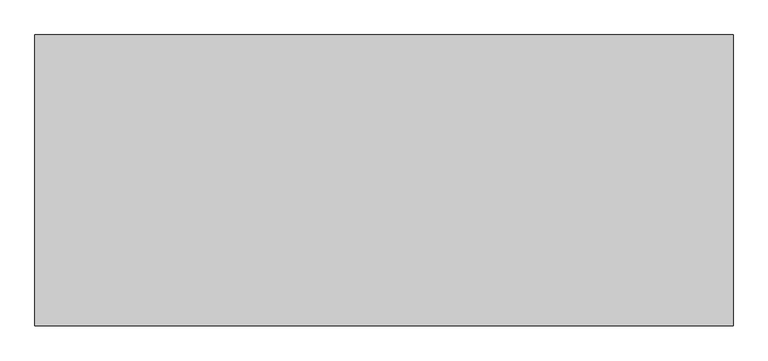
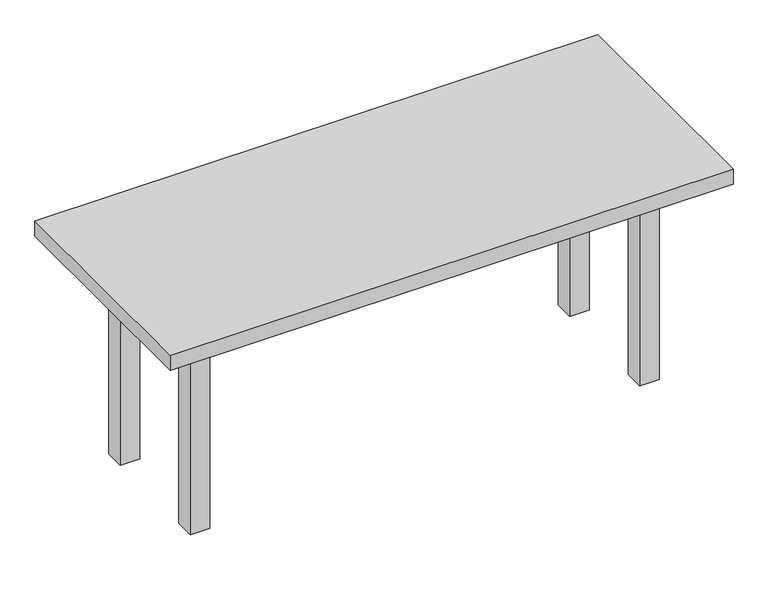
"""IFC4 building model written with IfcOpenShell, lengths in millimetres: furniture geometry."""

from ifc_helpers import new_model, si_unit, frame, origin, origin_with_axes, place, context, project, spatial, polyline, outline, extrude, source, transform, mapped, element, save


def furniture_a0b3b7a0(model_context):
    return source(origin(), model_context, "Body", "SweptSolid", [
        extrude(outline(polyline([(699.1, 190.5), (699.1, 165.1), (-699.1, 165.1), (-699.1, 190.5), (699.1, 190.5)])), frame((0.0, 0.0, 609.6), z_axis=(0.0, 0.0, 1.0), x_axis=(1.0, 0.0, 0.0)), (0.0, 0.0, 1.0), 101.6),
        extrude(outline(polyline([(699.1, -190.5), (-699.1, -190.5), (-699.1, -165.1), (699.1, -165.1), (699.1, -190.5)])), frame((0.0, 0.0, 609.6), z_axis=(0.0, 0.0, 1.0), x_axis=(1.0, 0.0, 0.0)), (0.0, 0.0, 1.0), 101.6),
        extrude(outline(polyline([(-711.8, -165.1), (-737.2, -165.1), (-737.2, 165.1), (-711.8, 165.1), (-711.8, -165.1)])), frame((0.0, 0.0, 609.6), z_axis=(0.0, 0.0, 1.0), x_axis=(1.0, 0.0, 0.0)), (0.0, 0.0, 1.0), 101.6),
        extrude(outline(polyline([(711.8, -165.1), (711.8, 165.1), (737.2, 165.1), (737.2, -165.1), (711.8, -165.1)])), frame((0.0, 0.0, 609.6), z_axis=(0.0, 0.0, 1.0), x_axis=(1.0, 0.0, 0.0)), (0.0, 0.0, 1.0), 101.6),
        extrude(outline(polyline([(915.0, 381.0), (915.0, -381.0), (-915.0, -381.0), (-915.0, 381.0), (915.0, 381.0)])), frame((0.0, 0.0, 711.2), z_axis=(0.0, 0.0, 1.0), x_axis=(1.0, 0.0, 0.0)), (0.0, 0.0, 1.0), 50.8),
        extrude(outline(polyline([(-699.1, 228.6), (-699.1, 165.1), (-762.6, 165.1), (-762.6, 228.6), (-699.1, 228.6)])), origin_with_axes(), (0.0, 0.0, 1.0), 711.2),
        extrude(outline(polyline([(699.1, 228.6), (762.6, 228.6), (762.6, 165.1), (699.1, 165.1), (699.1, 228.6)])), origin_with_axes(), (0.0, 0.0, 1.0), 711.2),
        extrude(outline(polyline([(-699.1, -228.6), (-762.6, -228.6), (-762.6, -165.1), (-699.1, -165.1), (-699.1, -228.6)])), origin_with_axes(), (0.0, 0.0, 1.0), 711.2),
        extrude(outline(polyline([(699.1, -228.6), (699.1, -165.1), (762.6, -165.1), (762.6, -228.6), (699.1, -228.6)])), origin_with_axes(), (0.0, 0.0, 1.0), 711.2),
    ])


if __name__ == "__main__":
    model = new_model("IFC4")
    model_context = context("Model", 3, world=origin())
    ifc_project = project(units=[si_unit("LENGTHUNIT", "METRE", prefix="MILLI")], contexts=[model_context])
    site = spatial("IfcSite", under=ifc_project)
    building = spatial("IfcBuilding", under=site)
    placement = place(None, origin())
    furniture_shape = furniture_a0b3b7a0(model_context)
    element("IfcFurniture", 1, at=placement, inside=building, context=model_context, shape_type="MappedRepresentation", body=[
        mapped(furniture_shape, transform((0.0, 0.0, 0.0), x_axis=(1.0, 0.0, 0.0), y_axis=(0.0, 1.0, 0.0), z_axis=(0.0, 0.0, 1.0))),
    ])
    save(model, "model.ifc")
